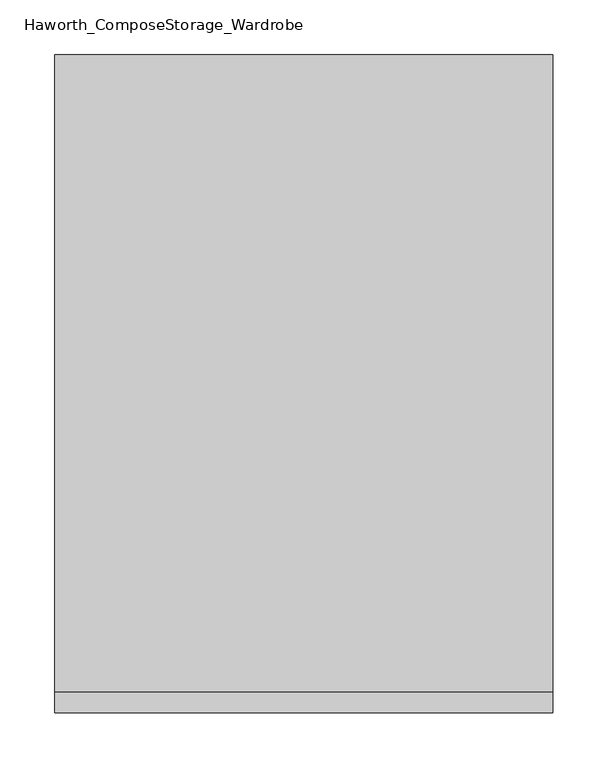
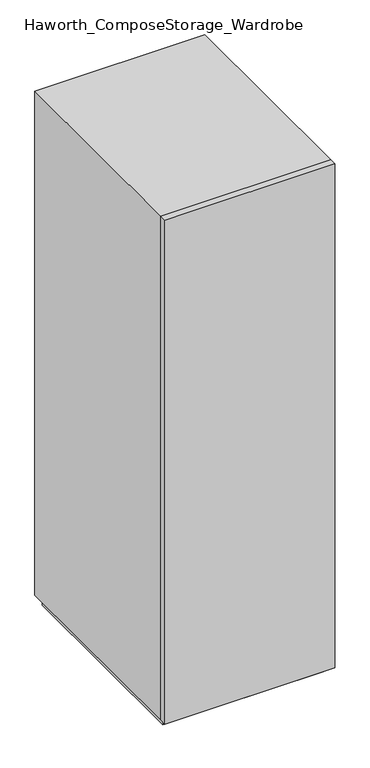
"""IFC4 building model written with IfcOpenShell, lengths in millimetres: furniture geometry, Haworth_ComposeStorage_Wardrobe."""

from ifc_helpers import new_model, si_unit, frame, origin, origin_with_axes, place, context, project, spatial, polyline, outline, extrude, faceted_brep, source, transform, mapped, element, save


def haworth_composestorage_wardrobe_1a23ffad(model_context):
    return source(origin(), model_context, "Body", "SolidModel", [
        extrude(outline(polyline([(227.0263906, -309.5625), (-226.9986094, -309.5625), (-226.9986094, -290.5125), (227.0263906, -290.5125), (227.0263906, -309.5625)])), frame((0.0, 0.0, 25.4), z_axis=(0.0, 0.0, 1.0), x_axis=(1.0, 0.0, 0.0)), (0.0, 0.0, 1.0), 1422.4),
        faceted_brep([(-226.9986094, -290.5125, 25.4), (227.0263906, -290.5125, 25.4), (227.0263906, -290.5125, 1447.8), (-226.9986094, -290.5125, 1447.8), (-207.9486094, -290.5125, 44.45), (-207.9486094, -290.5125, 1428.75), (207.9486094, -290.5125, 1428.75), (207.9486094, -290.5125, 44.45), (-226.9986094, 290.5125, 25.4), (-226.9986094, 290.5125, 1447.8), (227.0263906, 290.5125, 1447.8), (227.0263906, 290.5125, 25.4), (-207.9486094, 271.4625, 44.45), (-207.9486094, 271.4625, 1428.75), (207.9486094, 271.4625, 1428.75), (207.9486094, 271.4625, 44.45)], [[[0, 1, 2, 3], [4, 5, 6, 7]], [[8, 9, 10, 11]], [[1, 0, 8, 11]], [[2, 1, 11, 10]], [[3, 2, 10, 9]], [[0, 3, 9, 8]], [[5, 4, 12, 13]], [[6, 5, 13, 14]], [[7, 6, 14, 15]], [[4, 7, 15, 12]], [[13, 12, 15, 14]]]),
        extrude(outline(polyline([(214.3263906, -277.8125), (-214.2986094, -277.8125), (-214.2986094, 277.8125), (214.3263906, 277.8125), (214.3263906, -277.8125)])), origin_with_axes(), (0.0, 0.0, 1.0), 25.4),
    ])


if __name__ == "__main__":
    model = new_model("IFC4")
    model_context = context("Model", 3, world=origin())
    ifc_project = project(units=[si_unit("LENGTHUNIT", "METRE", prefix="MILLI")], contexts=[model_context])
    site = spatial("IfcSite", under=ifc_project)
    building = spatial("IfcBuilding", under=site)
    placement = place(None, origin())
    haworth_composestorage_wardrobe_shape = haworth_composestorage_wardrobe_1a23ffad(model_context)
    element("IfcFurniture", 1, ObjectType="Haworth_ComposeStorage_Wardrobe", at=placement, inside=building, context=model_context, shape_type="MappedRepresentation", body=[
        mapped(haworth_composestorage_wardrobe_shape, transform((0.0, 0.0, 0.0), x_axis=(1.0, 0.0, 0.0), y_axis=(0.0, 1.0, 0.0), z_axis=(0.0, 0.0, 1.0))),
    ])
    save(model, "model.ifc")
